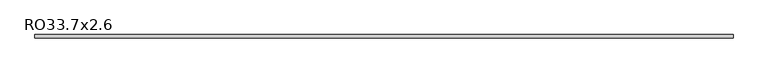
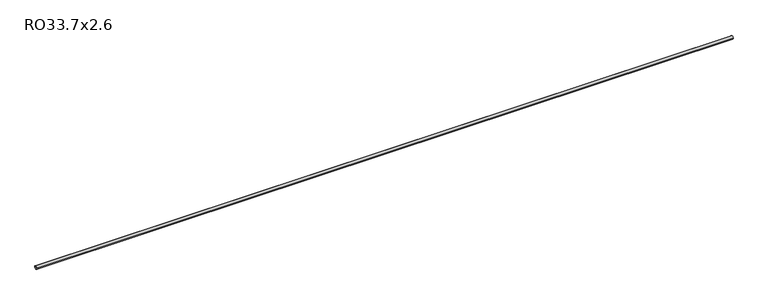
"""IFC4 building model written with IfcOpenShell, lengths in millimetres: beam geometry, RO33.7x2.6."""

from ifc_helpers import new_model, si_unit, point, frame, origin, origin_2d, place, context, project, spatial, circle_curve, trimmed, segment, composite_curve, outline, extrude, source, transform, mapped, element, save


def ro33_7x2_6_3e587fe9(model_context):
    return source(origin(), model_context, "Body", "SweptSolid", [
        extrude(outline(composite_curve([segment(trimmed(circle_curve(origin_2d(), 16.85), [point((16.85, 0.0))], [point((-16.85, 0.0))], False, "CARTESIAN"), True, "CONTINUOUS"), segment(trimmed(circle_curve(origin_2d(), 16.85), [point((-16.85, 0.0))], [point((16.85, 0.0))], False, "CARTESIAN"), True, "CONTINUOUS")], self_intersect=False), holes=[composite_curve([segment(trimmed(circle_curve(origin_2d(), 14.25), [point((-14.25, 0.0))], [point((14.25, 0.0))], True, "CARTESIAN"), True, "CONTINUOUS"), segment(trimmed(circle_curve(origin_2d(), 14.25), [point((14.25, 0.0))], [point((-14.25, 0.0))], True, "CARTESIAN"), True, "CONTINUOUS")], self_intersect=False)]), frame((-3690.0, 0.0, 0.0), z_axis=(1.0, 0.0, 0.0), x_axis=(0.0, 1.0, 0.0)), (0.0, 0.0, 1.0), 7380.0),
    ])


if __name__ == "__main__":
    model = new_model("IFC4")
    model_context = context("Model", 3, world=origin())
    ifc_project = project(units=[si_unit("LENGTHUNIT", "METRE", prefix="MILLI")], contexts=[model_context])
    site = spatial("IfcSite", under=ifc_project)
    building = spatial("IfcBuilding", under=site)
    placement = place(None, origin())
    ro33_7x2_6_shape = ro33_7x2_6_3e587fe9(model_context)
    element("IfcBeam", 1, ObjectType="RO33.7x2.6", at=placement, inside=building, context=model_context, shape_type="MappedRepresentation", body=[
        mapped(ro33_7x2_6_shape, transform((0.0, 0.0, 0.0), x_axis=(1.0, 0.0, 0.0), y_axis=(0.0, 1.0, 0.0), z_axis=(0.0, 0.0, 1.0))),
    ])
    save(model, "model.ifc")
